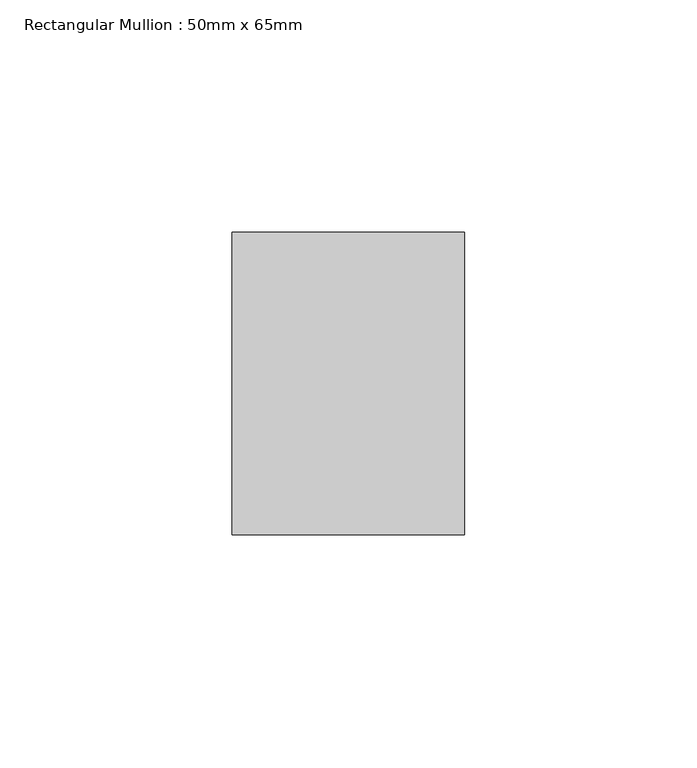
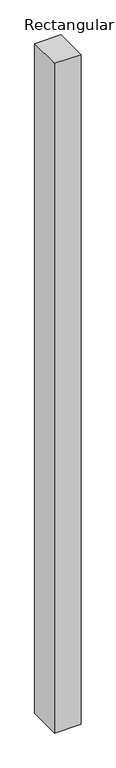
"""IFC4 building model written with IfcOpenShell, lengths in millimetres: member geometry, Rectangular Mullion : 50mm x 65mm."""

from ifc_helpers import new_model, si_unit, frame, origin, place, context, project, spatial, polyline, outline, extrude, source, transform, mapped, element, save


def rectangular_mullion_50mm_x_65mm_f680ad53(model_context):
    return source(origin(), model_context, "Body", "SweptSolid", [
        extrude(outline(polyline([(25.0, 32.5), (25.0, -32.5), (-25.0, -32.5), (-25.0, 32.5), (25.0, 32.5)])), frame((0.0, 0.0, -1337.4791808), z_axis=(0.0, 0.0, 1.0), x_axis=(1.0, 0.0, 0.0)), (0.0, 0.0, 1.0), 1337.4791808),
    ])


if __name__ == "__main__":
    model = new_model("IFC4")
    model_context = context("Model", 3, world=origin())
    ifc_project = project(units=[si_unit("LENGTHUNIT", "METRE", prefix="MILLI")], contexts=[model_context])
    site = spatial("IfcSite", under=ifc_project)
    building = spatial("IfcBuilding", under=site)
    placement = place(None, origin())
    rectangular_mullion_50mm_x_65mm_shape = rectangular_mullion_50mm_x_65mm_f680ad53(model_context)
    element("IfcMember", 1, ObjectType="Rectangular Mullion : 50mm x 65mm", at=placement, inside=building, context=model_context, shape_type="MappedRepresentation", body=[
        mapped(rectangular_mullion_50mm_x_65mm_shape, transform((0.0, 0.0, 0.0), x_axis=(1.0, 0.0, 0.0), y_axis=(0.0, 1.0, 0.0), z_axis=(0.0, 0.0, 1.0))),
    ])
    save(model, "model.ifc")
